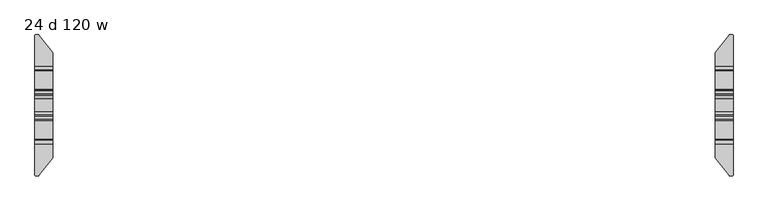
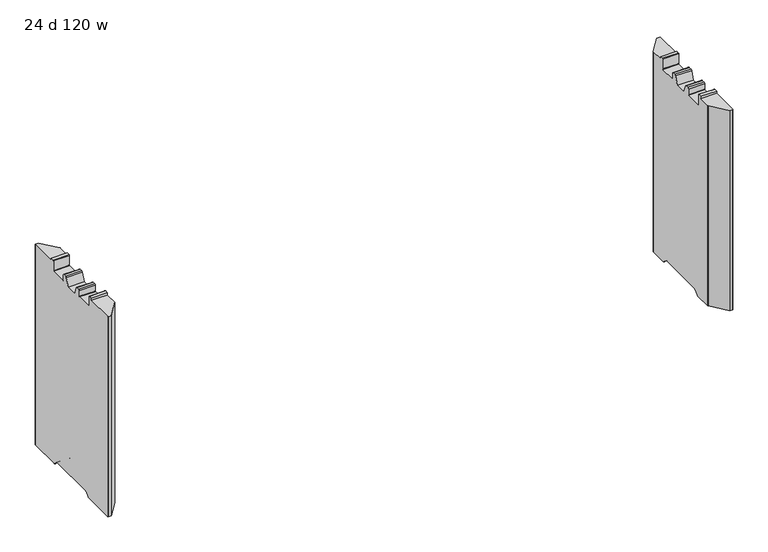
"""IFC4 building model written with IfcOpenShell, lengths in millimetres: furniture geometry, 24 d 120 w."""

from ifc_helpers import new_model, si_unit, frame, origin, place, context, project, spatial, polyline, circle_curve, source, transform, mapped, element, save
from ifc_brep_helpers import plane_surface, cylinder_surface, revolved_surface, advanced_brep


def furniture_24_d_120_w_e3f9ca47(model_context):
    return source(origin(), model_context, "Body", "AdvancedBrep", [
        advanced_brep(
        [(-1475.1161014, 301.356006, 12.2237497), (-1473.4757746, 300.5624669, 12.2237497), (-1414.2991168, 225.81303, 12.2237497), (-1413.7789661, 224.3179953, 12.2237497), (-1413.7789661, 142.5587399, 12.2237497), (-1489.9632694, 142.5587399, 12.2237497), (-1489.9632694, 299.7791145, 12.2237497), (-1488.3863779, 301.356006, 12.2237497), (-1413.7789661, -224.3179953, 12.2237497), (-1414.2991168, -225.81303, 12.2237497), (-1473.4757746, -300.5624669, 12.2237497), (-1475.1161014, -301.356006, 12.2237497), (-1488.3863779, -301.356006, 12.2237497), (-1489.9632694, -299.7791145, 12.2237497), (-1489.9632694, -142.5587399, 12.2237497), (-1413.7789661, -142.5587399, 12.2237497), (-1488.3863779, 301.356006, 1021.0901447), (-1475.1161014, 301.356006, 1021.0901447), (-1489.9632694, 299.7791145, 1021.0901447), (-1489.9632694, 137.3594731, 14.3773565), (-1489.9632694, 120.8848361, 30.8519935), (-1489.9632694, 115.650421, 33.0201593), (-1489.9632694, -115.650421, 33.0201593), (-1489.9632694, -120.8848361, 30.8519935), (-1489.9632694, -137.3594731, 14.3773565), (-1489.9632694, -299.7791145, 1021.0901447), (-1489.9632694, -165.7440074, 1021.0901447), (-1489.9632694, -165.7440074, 1032.1001558), (-1489.9632694, -149.8559965, 1032.1001558), (-1489.9632694, -147.8560005, 1030.1001598), (-1489.9632694, -147.8560005, 980.6251456), (-1489.9632694, -145.8560045, 978.6251495), (-1489.9632694, -67.8560008, 978.6251495), (-1489.9632694, -65.8560002, 980.6251501), (-1489.9632694, -65.8560002, 1008.6251352), (-1489.9632694, -60.855942, 1013.6251934), (-1489.9632694, -47.3023259, 1013.6251934), (-1489.9632694, -41.335277, 1009.4470192), (-1489.9632694, -27.2052798, 970.6251291), (-1489.9632694, 27.2052798, 970.6251291), (-1489.9632694, 41.335277, 1009.4470192), (-1489.9632694, 47.3023259, 1013.6251934), (-1489.9632694, 60.855942, 1013.6251934), (-1489.9632694, 65.8560002, 1008.6251352), (-1489.9632694, 65.8560002, 980.6251501), (-1489.9632694, 67.8560008, 978.6251495), (-1489.9632694, 145.8560045, 978.6251495), (-1489.9632694, 147.8560005, 980.6251456), (-1489.9632694, 147.8560005, 1030.1001598), (-1489.9632694, 149.8559965, 1032.1001558), (-1489.9632694, 165.7440074, 1032.1001558), (-1489.9632694, 165.7440074, 1021.0901447), (-1488.3863779, -301.356006, 1021.0901447), (-1475.1161014, -301.356006, 1021.0901447), (-1473.4757746, -300.5624669, 1021.0901447), (-1414.2991168, -225.81303, 1021.0901447), (-1413.7789661, -224.3179953, 1021.0901447), (-1413.7789661, -137.3594731, 14.3773565), (-1413.7789661, -120.8848361, 30.8519935), (-1413.7789661, -115.650421, 33.0201593), (-1413.7789661, 115.650421, 33.0201593), (-1413.7789661, 120.8848361, 30.8519935), (-1413.7789661, 137.3594731, 14.3773565), (-1413.7789661, 224.3179953, 1021.0901447), (-1413.7789661, 165.7440074, 1021.0901447), (-1413.7789661, 165.7440074, 1032.1001558), (-1413.7789661, 149.8559965, 1032.1001558), (-1413.7789661, 147.8560005, 1030.1001598), (-1413.7789661, 147.8560005, 980.6251456), (-1413.7789661, 145.8560045, 978.6251495), (-1413.7789661, 67.8560008, 978.6251495), (-1413.7789661, 65.8560002, 980.6251501), (-1413.7789661, 65.8560002, 1008.6251352), (-1413.7789661, 60.855942, 1013.6251934), (-1413.7789661, 47.3023259, 1013.6251934), (-1413.7789661, 41.335277, 1009.4470192), (-1413.7789661, 27.2052798, 970.6251291), (-1413.7789661, -27.2052798, 970.6251291), (-1413.7789661, -41.335277, 1009.4470192), (-1413.7789661, -47.3023259, 1013.6251934), (-1413.7789661, -60.855942, 1013.6251934), (-1413.7789661, -65.8560002, 1008.6251352), (-1413.7789661, -65.8560002, 980.6251501), (-1413.7789661, -67.8560008, 978.6251495), (-1413.7789661, -145.8560045, 978.6251495), (-1413.7789661, -147.8560005, 980.6251456), (-1413.7789661, -147.8560005, 1030.1001598), (-1413.7789661, -149.8559965, 1032.1001558), (-1413.7789661, -165.7440074, 1032.1001558), (-1413.7789661, -165.7440074, 1021.0901447), (-1414.2991168, 225.81303, 1021.0901447), (-1473.4757746, 300.5624669, 1021.0901447)],
        [
            (0, 1, circle_curve(frame((-1475.1161014, 299.2638745, 12.2237497), z_axis=(0.0, 0.0, -1.0), x_axis=(-1.0, 0.0, 0.0)), 2.0921315)),
            (1, 2),
            (2, 3, circle_curve(frame((-1416.187581, 224.3179953, 12.2237497), z_axis=(0.0, 0.0, -1.0), x_axis=(-1.0, 0.0, 0.0)), 2.4086149)),
            (3, 4),
            (4, 5),
            (5, 6),
            (6, 7, circle_curve(frame((-1488.3863779, 299.7791145, 12.2237497), z_axis=(0.0, 0.0, -1.0), x_axis=(-1.0, 0.0, 0.0)), 1.5768915)),
            (7, 0),
            (8, 9, circle_curve(frame((-1416.187581, -224.3179953, 12.2237497), z_axis=(0.0, 0.0, -1.0), x_axis=(-1.0, 0.0, 0.0)), 2.4086149)),
            (9, 10),
            (10, 11, circle_curve(frame((-1475.1161014, -299.2638745, 12.2237497), z_axis=(0.0, 0.0, -1.0), x_axis=(-1.0, 0.0, 0.0)), 2.0921315)),
            (11, 12),
            (12, 13, circle_curve(frame((-1488.3863779, -299.7791145, 12.2237497), z_axis=(0.0, 0.0, -1.0), x_axis=(-1.0, 0.0, 0.0)), 1.5768915)),
            (13, 14),
            (14, 15),
            (15, 8),
            (7, 16),
            (16, 17),
            (17, 0),
            (6, 18),
            (18, 16, circle_curve(frame((-1488.3863779, 299.7791145, 1021.0901447), z_axis=(0.0, 0.0, -1.0), x_axis=(-1.0, 0.0, 0.0)), 1.5768915)),
            (5, 19, circle_curve(frame((-1489.9632694, 142.5587399, 19.5766232), z_axis=(-1.0, 0.0, 0.0), x_axis=(0.0, -1.0, 0.0)), 7.3528735)),
            (19, 20),
            (20, 21, circle_curve(frame((-1489.9632694, 115.650421, 25.6175784), z_axis=(1.0, 0.0, 0.0), x_axis=(0.0, -1.0, 0.0)), 7.4025809)),
            (21, 22),
            (22, 23, circle_curve(frame((-1489.9632694, -115.650421, 25.6175784), z_axis=(1.0, 0.0, 0.0), x_axis=(0.0, -1.0, 0.0)), 7.4025809)),
            (23, 24),
            (24, 14, circle_curve(frame((-1489.9632694, -142.5587399, 19.5766232), z_axis=(-1.0, 0.0, 0.0), x_axis=(0.0, -1.0, 0.0)), 7.3528735)),
            (13, 25),
            (25, 26),
            (26, 27),
            (27, 28),
            (28, 29, circle_curve(frame((-1489.9632694, -149.8559965, 1030.1001598), z_axis=(-1.0, 0.0, 0.0), x_axis=(0.0, -1.0, 0.0)), 1.999996)),
            (29, 30),
            (30, 31, circle_curve(frame((-1489.9632694, -145.8560045, 980.6251456), z_axis=(1.0, 0.0, 0.0), x_axis=(0.0, -1.0, 0.0)), 1.999996)),
            (31, 32),
            (32, 33, circle_curve(frame((-1489.9632694, -67.8560008, 980.6251501), z_axis=(1.0, 0.0, 0.0), x_axis=(0.0, -1.0, 0.0)), 2.0000006)),
            (33, 34),
            (34, 35, circle_curve(frame((-1489.9632694, -60.855942, 1008.6251352), z_axis=(-1.0, 0.0, 0.0), x_axis=(0.0, -1.0, 0.0)), 5.0000582)),
            (35, 36),
            (36, 37, circle_curve(frame((-1489.9632694, -47.3023259, 1007.2751934), z_axis=(-1.0, 0.0, 0.0), x_axis=(0.0, -1.0, 0.0)), 6.35)),
            (37, 38),
            (38, 39),
            (39, 40),
            (40, 41, circle_curve(frame((-1489.9632694, 47.3023259, 1007.2751934), z_axis=(-1.0, 0.0, 0.0), x_axis=(0.0, -1.0, 0.0)), 6.35)),
            (41, 42),
            (42, 43, circle_curve(frame((-1489.9632694, 60.855942, 1008.6251352), z_axis=(-1.0, 0.0, 0.0), x_axis=(0.0, -1.0, 0.0)), 5.0000582)),
            (43, 44),
            (44, 45, circle_curve(frame((-1489.9632694, 67.8560008, 980.6251501), z_axis=(1.0, 0.0, 0.0), x_axis=(0.0, -1.0, 0.0)), 2.0000006)),
            (45, 46),
            (46, 47, circle_curve(frame((-1489.9632694, 145.8560045, 980.6251456), z_axis=(1.0, 0.0, 0.0), x_axis=(0.0, -1.0, 0.0)), 1.999996)),
            (47, 48),
            (48, 49, circle_curve(frame((-1489.9632694, 149.8559965, 1030.1001598), z_axis=(-1.0, 0.0, 0.0), x_axis=(0.0, -1.0, 0.0)), 1.999996)),
            (49, 50),
            (50, 51),
            (51, 18),
            (12, 52),
            (52, 25, circle_curve(frame((-1488.3863779, -299.7791145, 1021.0901447), z_axis=(0.0, 0.0, -1.0), x_axis=(-1.0, 0.0, 0.0)), 1.5768915)),
            (11, 53),
            (53, 52),
            (10, 54),
            (54, 53, circle_curve(frame((-1475.1161014, -299.2638745, 1021.0901447), z_axis=(0.0, 0.0, -1.0), x_axis=(-1.0, 0.0, 0.0)), 2.0921315)),
            (9, 55),
            (55, 54),
            (8, 56),
            (56, 55, circle_curve(frame((-1416.187581, -224.3179953, 1021.0901447), z_axis=(0.0, 0.0, -1.0), x_axis=(-1.0, 0.0, 0.0)), 2.4086149)),
            (15, 57, circle_curve(frame((-1413.7789661, -142.5587399, 19.5766232), z_axis=(1.0, 0.0, 0.0), x_axis=(0.0, -1.0, 0.0)), 7.3528735)),
            (57, 58),
            (58, 59, circle_curve(frame((-1413.7789661, -115.650421, 25.6175784), z_axis=(-1.0, 0.0, 0.0), x_axis=(0.0, -1.0, 0.0)), 7.4025809)),
            (59, 60),
            (60, 61, circle_curve(frame((-1413.7789661, 115.650421, 25.6175784), z_axis=(-1.0, 0.0, 0.0), x_axis=(0.0, -1.0, 0.0)), 7.4025809)),
            (61, 62),
            (62, 4, circle_curve(frame((-1413.7789661, 142.5587399, 19.5766232), z_axis=(1.0, 0.0, 0.0), x_axis=(0.0, -1.0, 0.0)), 7.3528735)),
            (3, 63),
            (63, 64),
            (64, 65),
            (65, 66),
            (66, 67, circle_curve(frame((-1413.7789661, 149.8559965, 1030.1001598), z_axis=(1.0, 0.0, 0.0), x_axis=(0.0, -1.0, 0.0)), 1.999996)),
            (67, 68),
            (68, 69, circle_curve(frame((-1413.7789661, 145.8560045, 980.6251456), z_axis=(-1.0, 0.0, 0.0), x_axis=(0.0, -1.0, 0.0)), 1.999996)),
            (69, 70),
            (70, 71, circle_curve(frame((-1413.7789661, 67.8560008, 980.6251501), z_axis=(-1.0, 0.0, 0.0), x_axis=(0.0, -1.0, 0.0)), 2.0000006)),
            (71, 72),
            (72, 73, circle_curve(frame((-1413.7789661, 60.855942, 1008.6251352), z_axis=(1.0, 0.0, 0.0), x_axis=(0.0, -1.0, 0.0)), 5.0000582)),
            (73, 74),
            (74, 75, circle_curve(frame((-1413.7789661, 47.3023259, 1007.2751934), z_axis=(1.0, 0.0, 0.0), x_axis=(0.0, -1.0, 0.0)), 6.35)),
            (75, 76),
            (76, 77),
            (77, 78),
            (78, 79, circle_curve(frame((-1413.7789661, -47.3023259, 1007.2751934), z_axis=(1.0, 0.0, 0.0), x_axis=(0.0, -1.0, 0.0)), 6.35)),
            (79, 80),
            (80, 81, circle_curve(frame((-1413.7789661, -60.855942, 1008.6251352), z_axis=(1.0, 0.0, 0.0), x_axis=(0.0, -1.0, 0.0)), 5.0000582)),
            (81, 82),
            (82, 83, circle_curve(frame((-1413.7789661, -67.8560008, 980.6251501), z_axis=(-1.0, 0.0, 0.0), x_axis=(0.0, -1.0, 0.0)), 2.0000006)),
            (83, 84),
            (84, 85, circle_curve(frame((-1413.7789661, -145.8560045, 980.6251456), z_axis=(-1.0, 0.0, 0.0), x_axis=(0.0, -1.0, 0.0)), 1.999996)),
            (85, 86),
            (86, 87, circle_curve(frame((-1413.7789661, -149.8559965, 1030.1001598), z_axis=(1.0, 0.0, 0.0), x_axis=(0.0, -1.0, 0.0)), 1.999996)),
            (87, 88),
            (88, 89),
            (89, 56),
            (2, 90),
            (90, 63, circle_curve(frame((-1416.187581, 224.3179953, 1021.0901447), z_axis=(0.0, 0.0, -1.0), x_axis=(-1.0, 0.0, 0.0)), 2.4086149)),
            (1, 91),
            (91, 90),
            (17, 91, circle_curve(frame((-1475.1161014, 299.2638745, 1021.0901447), z_axis=(0.0, 0.0, -1.0), x_axis=(-1.0, 0.0, 0.0)), 2.0921315)),
            (50, 65),
            (64, 51),
            (89, 26),
            (88, 27),
            (87, 28),
            (86, 29),
            (85, 30),
            (84, 31),
            (83, 32),
            (82, 33),
            (81, 34),
            (80, 35),
            (79, 36),
            (78, 37),
            (77, 38),
            (76, 39),
            (75, 40),
            (74, 41),
            (73, 42),
            (72, 43),
            (71, 44),
            (70, 45),
            (69, 46),
            (68, 47),
            (67, 48),
            (66, 49),
            (19, 62),
            (61, 20),
            (60, 21),
            (59, 22),
            (58, 23),
            (57, 24),
        ],
        [
            plane_surface(frame((-1488.3863779, 301.356006, 12.2237497), z_axis=(0.0, 0.0, -1.0), x_axis=(1.0, 0.0, 0.0))),
            plane_surface(frame((-1475.1161014, 301.356006, 1037.2344355), z_axis=(0.0, 1.0, 0.0), x_axis=(0.0, 0.0, -1.0))),
            cylinder_surface(frame((-1488.3863779, 299.7791145, 12.2237497), z_axis=(0.0, 0.0, 1.0), x_axis=(-1.0, 0.0, 0.0)), 1.5768915),
            plane_surface(frame((-1489.9632694, 299.7791145, 1037.2344355), z_axis=(-1.0, 0.0, 0.0), x_axis=(0.0, 0.0, -1.0))),
            cylinder_surface(frame((-1488.3863779, -299.7791145, 12.2237497), z_axis=(0.0, 0.0, 1.0), x_axis=(-1.0, 0.0, 0.0)), 1.5768915),
            plane_surface(frame((-1488.3863779, -301.356006, 1037.2344355), z_axis=(0.0, -1.0, 0.0), x_axis=(0.0, 0.0, -1.0))),
            cylinder_surface(frame((-1475.1161014, -299.2638745, 12.2237497), z_axis=(0.0, 0.0, 1.0), x_axis=(-1.0, 0.0, 0.0)), 2.0921315),
            plane_surface(frame((-1473.4757746, -300.5624669, 1037.2344355), z_axis=(0.7840457211746537, -0.6207030748334645, 0.0), x_axis=(0.0, 0.0, -1.0))),
            cylinder_surface(frame((-1416.187581, -224.3179953, 12.2237497), z_axis=(0.0, 0.0, 1.0), x_axis=(-1.0, 0.0, 0.0)), 2.4086149),
            plane_surface(frame((-1413.7789661, -224.3179953, 1037.2344355), z_axis=(1.0, 0.0, 0.0), x_axis=(0.0, 0.0, -1.0))),
            cylinder_surface(frame((-1416.187581, 224.3179953, 12.2237497), z_axis=(0.0, 0.0, 1.0), x_axis=(-1.0, 0.0, 0.0)), 2.4086149),
            plane_surface(frame((-1414.2991168, 225.81303, 1037.2344355), z_axis=(0.7840457211746312, 0.6207030748334927, 0.0), x_axis=(0.0, 0.0, -1.0))),
            cylinder_surface(frame((-1475.1161014, 299.2638745, 12.2237497), z_axis=(0.0, 0.0, 1.0), x_axis=(-1.0, 0.0, 0.0)), 2.0921315),
            plane_surface(frame((1489.9632694, 165.7440074, 1032.1001558), z_axis=(0.0, 1.0, 0.0), x_axis=(-1.0, 0.0, 0.0))),
            plane_surface(frame((1489.9632694, 165.7440074, 1021.0901447), z_axis=(0.0, 0.0, 1.0), x_axis=(-1.0, 0.0, 0.0))),
            plane_surface(frame((1489.9632694, -302.7440027, 1021.0901447), z_axis=(0.0, 0.0, 1.0), x_axis=(-1.0, 0.0, 0.0))),
            plane_surface(frame((1489.9632694, -165.7440074, 1021.0901447), z_axis=(0.0, -1.0, 0.0), x_axis=(-1.0, 0.0, 0.0))),
            plane_surface(frame((1489.9632694, -165.7440074, 1032.1001558), z_axis=(0.0, 0.0, 1.0), x_axis=(-1.0, 0.0, 0.0))),
            cylinder_surface(frame((1489.9632694, -149.8559965, 1030.1001598), z_axis=(-1.0, 0.0, 0.0), x_axis=(0.0, -1.0, 0.0)), 1.999996),
            plane_surface(frame((1489.9632694, -147.8560005, 1030.1001598), z_axis=(0.0, 1.0, 0.0), x_axis=(-1.0, 0.0, 0.0))),
            revolved_surface(polyline([(-1413.7789661, -147.85600050000002, 980.6251456), (-1489.9632694, -147.85600050000002, 980.6251456)]), (1489.9632694, -145.8560045, 980.6251456), (1.0, 0.0, 0.0)),
            plane_surface(frame((1489.9632694, -145.8560045, 978.6251495), z_axis=(0.0, 0.0, 1.0), x_axis=(-1.0, 0.0, 0.0))),
            revolved_surface(polyline([(-1413.7789661, -69.8560014, 980.6251501), (-1489.9632694, -69.8560014, 980.6251501)]), (1489.9632694, -67.8560008, 980.6251501), (1.0, 0.0, 0.0)),
            plane_surface(frame((1489.9632694, -65.8560002, 980.6251501), z_axis=(0.0, -1.0, 0.0), x_axis=(-1.0, 0.0, 0.0))),
            cylinder_surface(frame((1489.9632694, -60.855942, 1008.6251352), z_axis=(-1.0, 0.0, 0.0), x_axis=(0.0, -1.0, 0.0)), 5.0000582),
            plane_surface(frame((1489.9632694, -60.855942, 1013.6251934), z_axis=(0.0, 0.0, 1.0), x_axis=(-1.0, 0.0, 0.0))),
            cylinder_surface(frame((1489.9632694, -47.3023259, 1007.2751934), z_axis=(-1.0, 0.0, 0.0), x_axis=(0.0, -1.0, 0.0)), 6.35),
            plane_surface(frame((1489.9632694, -41.335277, 1009.4470192), z_axis=(0.0, 0.9396927394269927, 0.3420198173617928), x_axis=(-1.0, 0.0, 0.0))),
            plane_surface(frame((1489.9632694, -27.2052798, 970.6251291), z_axis=(0.0, 0.0, 1.0), x_axis=(-1.0, 0.0, 0.0))),
            plane_surface(frame((1489.9632694, 27.2052798, 970.6251291), z_axis=(0.0, -0.9396927394269927, 0.3420198173617928), x_axis=(-1.0, 0.0, 0.0))),
            cylinder_surface(frame((1489.9632694, 47.3023259, 1007.2751934), z_axis=(-1.0, 0.0, 0.0), x_axis=(0.0, -1.0, 0.0)), 6.35),
            plane_surface(frame((1489.9632694, 47.3023259, 1013.6251934), z_axis=(0.0, 0.0, 1.0), x_axis=(-1.0, 0.0, 0.0))),
            cylinder_surface(frame((1489.9632694, 60.855942, 1008.6251352), z_axis=(-1.0, 0.0, 0.0), x_axis=(0.0, -1.0, 0.0)), 5.0000582),
            plane_surface(frame((1489.9632694, 65.8560002, 1008.6251352), z_axis=(0.0, 1.0, 0.0), x_axis=(-1.0, 0.0, 0.0))),
            revolved_surface(polyline([(-1413.7789661, 65.85600020000001, 980.6251501), (-1489.9632694, 65.85600020000001, 980.6251501)]), (1489.9632694, 67.8560008, 980.6251501), (1.0, 0.0, 0.0)),
            plane_surface(frame((1489.9632694, 67.8560008, 978.6251495), z_axis=(0.0, 0.0, 1.0), x_axis=(-1.0, 0.0, 0.0))),
            revolved_surface(polyline([(-1413.7789661, 143.8560085, 980.6251456), (-1489.9632694, 143.8560085, 980.6251456)]), (1489.9632694, 145.8560045, 980.6251456), (1.0, 0.0, 0.0)),
            plane_surface(frame((1489.9632694, 147.8560005, 980.6251456), z_axis=(0.0, -1.0, 0.0), x_axis=(-1.0, 0.0, 0.0))),
            cylinder_surface(frame((1489.9632694, 149.8559965, 1030.1001598), z_axis=(-1.0, 0.0, 0.0), x_axis=(0.0, -1.0, 0.0)), 1.999996),
            plane_surface(frame((1489.9632694, 149.8559965, 1032.1001558), z_axis=(0.0, 0.0, 1.0), x_axis=(-1.0, 0.0, 0.0))),
            plane_surface(frame((1489.9632694, 137.3594731, 14.3773565), z_axis=(0.0, -0.7071067811865476, -0.7071067811865476), x_axis=(-1.0, 0.0, 0.0))),
            revolved_surface(polyline([(-1413.7789661, 108.24784009999999, 25.6175784), (-1489.9632694, 108.24784009999999, 25.6175784)]), (1489.9632694, 115.650421, 25.6175784), (1.0, 0.0, 0.0)),
            plane_surface(frame((1489.9632694, 115.650421, 33.0201593), z_axis=(0.0, 0.0, -1.0), x_axis=(-1.0, 0.0, 0.0))),
            revolved_surface(polyline([(-1413.7789661, -123.0530019, 25.6175784), (-1489.9632694, -123.0530019, 25.6175784)]), (1489.9632694, -115.650421, 25.6175784), (1.0, 0.0, 0.0)),
            plane_surface(frame((1489.9632694, -120.8848361, 30.8519935), z_axis=(0.0, 0.7071067811865467, -0.7071067811865483), x_axis=(-1.0, 0.0, 0.0))),
            cylinder_surface(frame((1489.9632694, -142.5587399, 19.5766232), z_axis=(-1.0, 0.0, 0.0), x_axis=(0.0, -1.0, 0.0)), 7.3528735),
            cylinder_surface(frame((1489.9632694, 142.5587399, 19.5766232), z_axis=(-1.0, 0.0, 0.0), x_axis=(0.0, -1.0, 0.0)), 7.3528735),
        ],
        [
            (0, [[1, 2, 3, 4, 5, 6, 7, 8]]),
            (0, [[9, 10, 11, 12, 13, 14, 15, 16]]),
            (1, [[-8, 17, 18, 19]]),
            (2, [[-7, 20, 21, -17]]),
            (3, [[-20, -6, 22, 23, 24, 25, 26, 27, 28, -14, 29, 30, 31, 32, 33, 34, 35, 36, 37, 38, 39, 40, 41, 42, 43, 44, 45, 46, 47, 48, 49, 50, 51, 52, 53, 54, 55, 56]]),
            (4, [[-13, 57, 58, -29]]),
            (5, [[-12, 59, 60, -57]]),
            (6, [[-11, 61, 62, -59]]),
            (7, [[-10, 63, 64, -61]]),
            (8, [[-9, 65, 66, -63]]),
            (9, [[-65, -16, 67, 68, 69, 70, 71, 72, 73, -4, 74, 75, 76, 77, 78, 79, 80, 81, 82, 83, 84, 85, 86, 87, 88, 89, 90, 91, 92, 93, 94, 95, 96, 97, 98, 99, 100, 101]]),
            (10, [[-3, 102, 103, -74]]),
            (11, [[-2, 104, 105, -102]]),
            (12, [[-1, -19, 106, -104]]),
            (13, [[107, -76, 108, -55]]),
            (14, [[-108, -75, -103, -105, -106, -18, -21, -56]]),
            (15, [[109, -30, -58, -60, -62, -64, -66, -101]]),
            (16, [[-109, -100, 110, -31]]),
            (17, [[-110, -99, 111, -32]]),
            (18, [[-111, -98, 112, -33]]),
            (19, [[-112, -97, 113, -34]]),
            (20, [[-113, -96, 114, -35]]),
            (21, [[-114, -95, 115, -36]]),
            (22, [[-115, -94, 116, -37]]),
            (23, [[-116, -93, 117, -38]]),
            (24, [[-117, -92, 118, -39]]),
            (25, [[-118, -91, 119, -40]]),
            (26, [[-119, -90, 120, -41]]),
            (27, [[-120, -89, 121, -42]]),
            (28, [[-121, -88, 122, -43]]),
            (29, [[-122, -87, 123, -44]]),
            (30, [[-123, -86, 124, -45]]),
            (31, [[-124, -85, 125, -46]]),
            (32, [[-125, -84, 126, -47]]),
            (33, [[-126, -83, 127, -48]]),
            (34, [[-127, -82, 128, -49]]),
            (35, [[-128, -81, 129, -50]]),
            (36, [[-129, -80, 130, -51]]),
            (37, [[-130, -79, 131, -52]]),
            (38, [[-131, -78, 132, -53]]),
            (39, [[-107, -54, -132, -77]]),
            (40, [[133, -72, 134, -23]]),
            (41, [[-134, -71, 135, -24]]),
            (42, [[-135, -70, 136, -25]]),
            (43, [[-136, -69, 137, -26]]),
            (44, [[-137, -68, 138, -27]]),
            (45, [[-138, -67, -15, -28]]),
            (46, [[-133, -22, -5, -73]]),
        ],
    ),
        advanced_brep(
        [(1475.1161014, 301.356006, 12.2237497), (1488.3863779, 301.356006, 12.2237497), (1489.9632694, 299.7791145, 12.2237497), (1489.9632694, 142.5587399, 12.2237497), (1413.7789661, 142.5587399, 12.2237497), (1413.7789661, 224.3179953, 12.2237497), (1414.2991168, 225.81303, 12.2237497), (1473.4757746, 300.5624669, 12.2237497), (1489.9632694, -299.7791145, 12.2237497), (1488.3863779, -301.356006, 12.2237497), (1475.1161014, -301.356006, 12.2237497), (1473.4757746, -300.5624669, 12.2237497), (1414.2991168, -225.81303, 12.2237497), (1413.7789661, -224.3179953, 12.2237497), (1413.7789661, -142.5587399, 12.2237497), (1489.9632694, -142.5587399, 12.2237497), (1473.4757746, 300.5624669, 1021.0901447), (1475.1161014, 301.356006, 1021.0901447), (1414.2991168, 225.81303, 1021.0901447), (1413.7789661, 224.3179953, 1021.0901447), (1413.7789661, 137.3594731, 14.3773565), (1413.7789661, 120.8848361, 30.8519935), (1413.7789661, 115.650421, 33.0201593), (1413.7789661, -115.650421, 33.0201593), (1413.7789661, -120.8848361, 30.8519935), (1413.7789661, -137.3594731, 14.3773565), (1413.7789661, -224.3179953, 1021.0901447), (1413.7789661, -165.7440074, 1021.0901447), (1413.7789661, -165.7440074, 1032.1001558), (1413.7789661, -149.8559965, 1032.1001558), (1413.7789661, -147.8560005, 1030.1001598), (1413.7789661, -147.8560005, 980.6251456), (1413.7789661, -145.8560045, 978.6251495), (1413.7789661, -67.8560008, 978.6251495), (1413.7789661, -65.8560002, 980.6251501), (1413.7789661, -65.8560002, 1008.6251352), (1413.7789661, -60.855942, 1013.6251934), (1413.7789661, -47.3023259, 1013.6251934), (1413.7789661, -41.335277, 1009.4470192), (1413.7789661, -27.2052798, 970.6251291), (1413.7789661, 27.2052798, 970.6251291), (1413.7789661, 41.335277, 1009.4470192), (1413.7789661, 47.3023259, 1013.6251934), (1413.7789661, 60.855942, 1013.6251934), (1413.7789661, 65.8560002, 1008.6251352), (1413.7789661, 65.8560002, 980.6251501), (1413.7789661, 67.8560008, 978.6251495), (1413.7789661, 145.8560045, 978.6251495), (1413.7789661, 147.8560005, 980.6251456), (1413.7789661, 147.8560005, 1030.1001598), (1413.7789661, 149.8559965, 1032.1001558), (1413.7789661, 165.7440074, 1032.1001558), (1413.7789661, 165.7440074, 1021.0901447), (1414.2991168, -225.81303, 1021.0901447), (1473.4757746, -300.5624669, 1021.0901447), (1475.1161014, -301.356006, 1021.0901447), (1488.3863779, -301.356006, 1021.0901447), (1489.9632694, -299.7791145, 1021.0901447), (1489.9632694, -137.3594731, 14.3773565), (1489.9632694, -120.8848361, 30.8519935), (1489.9632694, -115.650421, 33.0201593), (1489.9632694, 115.650421, 33.0201593), (1489.9632694, 120.8848361, 30.8519935), (1489.9632694, 137.3594731, 14.3773565), (1489.9632694, 299.7791145, 1021.0901447), (1489.9632694, 165.7440074, 1021.0901447), (1489.9632694, 165.7440074, 1032.1001558), (1489.9632694, 149.8559965, 1032.1001558), (1489.9632694, 147.8560005, 1030.1001598), (1489.9632694, 147.8560005, 980.6251456), (1489.9632694, 145.8560045, 978.6251495), (1489.9632694, 67.8560008, 978.6251495), (1489.9632694, 65.8560002, 980.6251501), (1489.9632694, 65.8560002, 1008.6251352), (1489.9632694, 60.855942, 1013.6251934), (1489.9632694, 47.3023259, 1013.6251934), (1489.9632694, 41.335277, 1009.4470192), (1489.9632694, 27.2052798, 970.6251291), (1489.9632694, -27.2052798, 970.6251291), (1489.9632694, -41.335277, 1009.4470192), (1489.9632694, -47.3023259, 1013.6251934), (1489.9632694, -60.855942, 1013.6251934), (1489.9632694, -65.8560002, 1008.6251352), (1489.9632694, -65.8560002, 980.6251501), (1489.9632694, -67.8560008, 978.6251495), (1489.9632694, -145.8560045, 978.6251495), (1489.9632694, -147.8560005, 980.6251456), (1489.9632694, -147.8560005, 1030.1001598), (1489.9632694, -149.8559965, 1032.1001558), (1489.9632694, -165.7440074, 1032.1001558), (1489.9632694, -165.7440074, 1021.0901447), (1488.3863779, 301.356006, 1021.0901447)],
        [
            (0, 1),
            (1, 2, circle_curve(frame((1488.3863779, 299.7791145, 12.2237497), z_axis=(0.0, 0.0, -1.0), x_axis=(-1.0, 0.0, 0.0)), 1.5768915)),
            (2, 3),
            (3, 4),
            (4, 5),
            (5, 6, circle_curve(frame((1416.187581, 224.3179953, 12.2237497), z_axis=(0.0, 0.0, -1.0), x_axis=(-1.0, 0.0, 0.0)), 2.4086149)),
            (6, 7),
            (7, 0, circle_curve(frame((1475.1161014, 299.2638745, 12.2237497), z_axis=(0.0, 0.0, -1.0), x_axis=(-1.0, 0.0, 0.0)), 2.0921315)),
            (8, 9, circle_curve(frame((1488.3863779, -299.7791145, 12.2237497), z_axis=(0.0, 0.0, -1.0), x_axis=(-1.0, 0.0, 0.0)), 1.5768915)),
            (9, 10),
            (10, 11, circle_curve(frame((1475.1161014, -299.2638745, 12.2237497), z_axis=(0.0, 0.0, -1.0), x_axis=(-1.0, 0.0, 0.0)), 2.0921315)),
            (11, 12),
            (12, 13, circle_curve(frame((1416.187581, -224.3179953, 12.2237497), z_axis=(0.0, 0.0, -1.0), x_axis=(-1.0, 0.0, 0.0)), 2.4086149)),
            (13, 14),
            (14, 15),
            (15, 8),
            (7, 16),
            (16, 17, circle_curve(frame((1475.1161014, 299.2638745, 1021.0901447), z_axis=(0.0, 0.0, -1.0), x_axis=(-1.0, 0.0, 0.0)), 2.0921315)),
            (17, 0),
            (6, 18),
            (18, 16),
            (5, 19),
            (19, 18, circle_curve(frame((1416.187581, 224.3179953, 1021.0901447), z_axis=(0.0, 0.0, -1.0), x_axis=(-1.0, 0.0, 0.0)), 2.4086149)),
            (4, 20, circle_curve(frame((1413.7789661, 142.5587399, 19.5766232), z_axis=(-1.0, 0.0, 0.0), x_axis=(0.0, -1.0, 0.0)), 7.3528735)),
            (20, 21),
            (21, 22, circle_curve(frame((1413.7789661, 115.650421, 25.6175784), z_axis=(1.0, 0.0, 0.0), x_axis=(0.0, -1.0, 0.0)), 7.4025809)),
            (22, 23),
            (23, 24, circle_curve(frame((1413.7789661, -115.650421, 25.6175784), z_axis=(1.0, 0.0, 0.0), x_axis=(0.0, -1.0, 0.0)), 7.4025809)),
            (24, 25),
            (25, 14, circle_curve(frame((1413.7789661, -142.5587399, 19.5766232), z_axis=(-1.0, 0.0, 0.0), x_axis=(0.0, -1.0, 0.0)), 7.3528735)),
            (13, 26),
            (26, 27),
            (27, 28),
            (28, 29),
            (29, 30, circle_curve(frame((1413.7789661, -149.8559965, 1030.1001598), z_axis=(-1.0, 0.0, 0.0), x_axis=(0.0, -1.0, 0.0)), 1.999996)),
            (30, 31),
            (31, 32, circle_curve(frame((1413.7789661, -145.8560045, 980.6251456), z_axis=(1.0, 0.0, 0.0), x_axis=(0.0, -1.0, 0.0)), 1.999996)),
            (32, 33),
            (33, 34, circle_curve(frame((1413.7789661, -67.8560008, 980.6251501), z_axis=(1.0, 0.0, 0.0), x_axis=(0.0, -1.0, 0.0)), 2.0000006)),
            (34, 35),
            (35, 36, circle_curve(frame((1413.7789661, -60.855942, 1008.6251352), z_axis=(-1.0, 0.0, 0.0), x_axis=(0.0, -1.0, 0.0)), 5.0000582)),
            (36, 37),
            (37, 38, circle_curve(frame((1413.7789661, -47.3023259, 1007.2751934), z_axis=(-1.0, 0.0, 0.0), x_axis=(0.0, -1.0, 0.0)), 6.35)),
            (38, 39),
            (39, 40),
            (40, 41),
            (41, 42, circle_curve(frame((1413.7789661, 47.3023259, 1007.2751934), z_axis=(-1.0, 0.0, 0.0), x_axis=(0.0, -1.0, 0.0)), 6.35)),
            (42, 43),
            (43, 44, circle_curve(frame((1413.7789661, 60.855942, 1008.6251352), z_axis=(-1.0, 0.0, 0.0), x_axis=(0.0, -1.0, 0.0)), 5.0000582)),
            (44, 45),
            (45, 46, circle_curve(frame((1413.7789661, 67.8560008, 980.6251501), z_axis=(1.0, 0.0, 0.0), x_axis=(0.0, -1.0, 0.0)), 2.0000006)),
            (46, 47),
            (47, 48, circle_curve(frame((1413.7789661, 145.8560045, 980.6251456), z_axis=(1.0, 0.0, 0.0), x_axis=(0.0, -1.0, 0.0)), 1.999996)),
            (48, 49),
            (49, 50, circle_curve(frame((1413.7789661, 149.8559965, 1030.1001598), z_axis=(-1.0, 0.0, 0.0), x_axis=(0.0, -1.0, 0.0)), 1.999996)),
            (50, 51),
            (51, 52),
            (52, 19),
            (12, 53),
            (53, 26, circle_curve(frame((1416.187581, -224.3179953, 1021.0901447), z_axis=(0.0, 0.0, -1.0), x_axis=(-1.0, 0.0, 0.0)), 2.4086149)),
            (11, 54),
            (54, 53),
            (10, 55),
            (55, 54, circle_curve(frame((1475.1161014, -299.2638745, 1021.0901447), z_axis=(0.0, 0.0, -1.0), x_axis=(-1.0, 0.0, 0.0)), 2.0921315)),
            (9, 56),
            (56, 55),
            (8, 57),
            (57, 56, circle_curve(frame((1488.3863779, -299.7791145, 1021.0901447), z_axis=(0.0, 0.0, -1.0), x_axis=(-1.0, 0.0, 0.0)), 1.5768915)),
            (15, 58, circle_curve(frame((1489.9632694, -142.5587399, 19.5766232), z_axis=(1.0, 0.0, 0.0), x_axis=(0.0, -1.0, 0.0)), 7.3528735)),
            (58, 59),
            (59, 60, circle_curve(frame((1489.9632694, -115.650421, 25.6175784), z_axis=(-1.0, 0.0, 0.0), x_axis=(0.0, -1.0, 0.0)), 7.4025809)),
            (60, 61),
            (61, 62, circle_curve(frame((1489.9632694, 115.650421, 25.6175784), z_axis=(-1.0, 0.0, 0.0), x_axis=(0.0, -1.0, 0.0)), 7.4025809)),
            (62, 63),
            (63, 3, circle_curve(frame((1489.9632694, 142.5587399, 19.5766232), z_axis=(1.0, 0.0, 0.0), x_axis=(0.0, -1.0, 0.0)), 7.3528735)),
            (2, 64),
            (64, 65),
            (65, 66),
            (66, 67),
            (67, 68, circle_curve(frame((1489.9632694, 149.8559965, 1030.1001598), z_axis=(1.0, 0.0, 0.0), x_axis=(0.0, -1.0, 0.0)), 1.999996)),
            (68, 69),
            (69, 70, circle_curve(frame((1489.9632694, 145.8560045, 980.6251456), z_axis=(-1.0, 0.0, 0.0), x_axis=(0.0, -1.0, 0.0)), 1.999996)),
            (70, 71),
            (71, 72, circle_curve(frame((1489.9632694, 67.8560008, 980.6251501), z_axis=(-1.0, 0.0, 0.0), x_axis=(0.0, -1.0, 0.0)), 2.0000006)),
            (72, 73),
            (73, 74, circle_curve(frame((1489.9632694, 60.855942, 1008.6251352), z_axis=(1.0, 0.0, 0.0), x_axis=(0.0, -1.0, 0.0)), 5.0000582)),
            (74, 75),
            (75, 76, circle_curve(frame((1489.9632694, 47.3023259, 1007.2751934), z_axis=(1.0, 0.0, 0.0), x_axis=(0.0, -1.0, 0.0)), 6.35)),
            (76, 77),
            (77, 78),
            (78, 79),
            (79, 80, circle_curve(frame((1489.9632694, -47.3023259, 1007.2751934), z_axis=(1.0, 0.0, 0.0), x_axis=(0.0, -1.0, 0.0)), 6.35)),
            (80, 81),
            (81, 82, circle_curve(frame((1489.9632694, -60.855942, 1008.6251352), z_axis=(1.0, 0.0, 0.0), x_axis=(0.0, -1.0, 0.0)), 5.0000582)),
            (82, 83),
            (83, 84, circle_curve(frame((1489.9632694, -67.8560008, 980.6251501), z_axis=(-1.0, 0.0, 0.0), x_axis=(0.0, -1.0, 0.0)), 2.0000006)),
            (84, 85),
            (85, 86, circle_curve(frame((1489.9632694, -145.8560045, 980.6251456), z_axis=(-1.0, 0.0, 0.0), x_axis=(0.0, -1.0, 0.0)), 1.999996)),
            (86, 87),
            (87, 88, circle_curve(frame((1489.9632694, -149.8559965, 1030.1001598), z_axis=(1.0, 0.0, 0.0), x_axis=(0.0, -1.0, 0.0)), 1.999996)),
            (88, 89),
            (89, 90),
            (90, 57),
            (1, 91),
            (91, 64, circle_curve(frame((1488.3863779, 299.7791145, 1021.0901447), z_axis=(0.0, 0.0, -1.0), x_axis=(-1.0, 0.0, 0.0)), 1.5768915)),
            (17, 91),
            (51, 66),
            (65, 52),
            (90, 27),
            (89, 28),
            (88, 29),
            (87, 30),
            (86, 31),
            (85, 32),
            (84, 33),
            (83, 34),
            (82, 35),
            (81, 36),
            (80, 37),
            (79, 38),
            (78, 39),
            (77, 40),
            (76, 41),
            (75, 42),
            (74, 43),
            (73, 44),
            (72, 45),
            (71, 46),
            (70, 47),
            (69, 48),
            (68, 49),
            (67, 50),
            (20, 63),
            (62, 21),
            (61, 22),
            (60, 23),
            (59, 24),
            (58, 25),
        ],
        [
            plane_surface(frame((-1488.3863779, 301.356006, 12.2237497), z_axis=(0.0, 0.0, -1.0), x_axis=(1.0, 0.0, 0.0))),
            cylinder_surface(frame((1475.1161014, 299.2638745, 12.2237497), z_axis=(0.0, 0.0, 1.0), x_axis=(-1.0, 0.0, 0.0)), 2.0921315),
            plane_surface(frame((1473.4757746, 300.5624669, 1037.2344355), z_axis=(-0.7840457211746567, 0.6207030748334608, 0.0), x_axis=(0.0, 0.0, -1.0))),
            cylinder_surface(frame((1416.187581, 224.3179953, 12.2237497), z_axis=(0.0, 0.0, 1.0), x_axis=(-1.0, 0.0, 0.0)), 2.4086149),
            plane_surface(frame((1413.7789661, 224.3179953, 1037.2344355), z_axis=(-1.0, 0.0, 0.0), x_axis=(0.0, 0.0, -1.0))),
            cylinder_surface(frame((1416.187581, -224.3179953, 12.2237497), z_axis=(0.0, 0.0, 1.0), x_axis=(-1.0, 0.0, 0.0)), 2.4086149),
            plane_surface(frame((1414.2991168, -225.81303, 1037.2344355), z_axis=(-0.7840457211745896, -0.6207030748335453, 0.0), x_axis=(0.0, 0.0, -1.0))),
            cylinder_surface(frame((1475.1161014, -299.2638745, 12.2237497), z_axis=(0.0, 0.0, 1.0), x_axis=(-1.0, 0.0, 0.0)), 2.0921315),
            plane_surface(frame((1475.1161014, -301.356006, 1037.2344355), z_axis=(0.0, -1.0, 0.0), x_axis=(0.0, 0.0, -1.0))),
            cylinder_surface(frame((1488.3863779, -299.7791145, 12.2237497), z_axis=(0.0, 0.0, 1.0), x_axis=(-1.0, 0.0, 0.0)), 1.5768915),
            plane_surface(frame((1489.9632694, -299.7791145, 1037.2344355), z_axis=(1.0, 0.0, 0.0), x_axis=(0.0, 0.0, -1.0))),
            cylinder_surface(frame((1488.3863779, 299.7791145, 12.2237497), z_axis=(0.0, 0.0, 1.0), x_axis=(-1.0, 0.0, 0.0)), 1.5768915),
            plane_surface(frame((1488.3863779, 301.356006, 1037.2344355), z_axis=(0.0, 1.0, 0.0), x_axis=(0.0, 0.0, -1.0))),
            plane_surface(frame((1489.9632694, 165.7440074, 1032.1001558), z_axis=(0.0, 1.0, 0.0), x_axis=(-1.0, 0.0, 0.0))),
            plane_surface(frame((1489.9632694, 165.7440074, 1021.0901447), z_axis=(0.0, 0.0, 1.0), x_axis=(-1.0, 0.0, 0.0))),
            plane_surface(frame((1489.9632694, -302.7440027, 1021.0901447), z_axis=(0.0, 0.0, 1.0), x_axis=(-1.0, 0.0, 0.0))),
            plane_surface(frame((1489.9632694, -165.7440074, 1021.0901447), z_axis=(0.0, -1.0, 0.0), x_axis=(-1.0, 0.0, 0.0))),
            plane_surface(frame((1489.9632694, -165.7440074, 1032.1001558), z_axis=(0.0, 0.0, 1.0), x_axis=(-1.0, 0.0, 0.0))),
            cylinder_surface(frame((1489.9632694, -149.8559965, 1030.1001598), z_axis=(-1.0, 0.0, 0.0), x_axis=(0.0, -1.0, 0.0)), 1.999996),
            plane_surface(frame((1489.9632694, -147.8560005, 1030.1001598), z_axis=(0.0, 1.0, 0.0), x_axis=(-1.0, 0.0, 0.0))),
            revolved_surface(polyline([(1489.9632694, -147.85600050000002, 980.6251456), (1413.7789661, -147.85600050000002, 980.6251456)]), (1489.9632694, -145.8560045, 980.6251456), (1.0, 0.0, 0.0)),
            plane_surface(frame((1489.9632694, -145.8560045, 978.6251495), z_axis=(0.0, 0.0, 1.0), x_axis=(-1.0, 0.0, 0.0))),
            revolved_surface(polyline([(1489.9632694, -69.8560014, 980.6251501), (1413.7789661, -69.8560014, 980.6251501)]), (1489.9632694, -67.8560008, 980.6251501), (1.0, 0.0, 0.0)),
            plane_surface(frame((1489.9632694, -65.8560002, 980.6251501), z_axis=(0.0, -1.0, 0.0), x_axis=(-1.0, 0.0, 0.0))),
            cylinder_surface(frame((1489.9632694, -60.855942, 1008.6251352), z_axis=(-1.0, 0.0, 0.0), x_axis=(0.0, -1.0, 0.0)), 5.0000582),
            plane_surface(frame((1489.9632694, -60.855942, 1013.6251934), z_axis=(0.0, 0.0, 1.0), x_axis=(-1.0, 0.0, 0.0))),
            cylinder_surface(frame((1489.9632694, -47.3023259, 1007.2751934), z_axis=(-1.0, 0.0, 0.0), x_axis=(0.0, -1.0, 0.0)), 6.35),
            plane_surface(frame((1489.9632694, -41.335277, 1009.4470192), z_axis=(0.0, 0.9396927394269927, 0.3420198173617928), x_axis=(-1.0, 0.0, 0.0))),
            plane_surface(frame((1489.9632694, -27.2052798, 970.6251291), z_axis=(0.0, 0.0, 1.0), x_axis=(-1.0, 0.0, 0.0))),
            plane_surface(frame((1489.9632694, 27.2052798, 970.6251291), z_axis=(0.0, -0.9396927394269927, 0.3420198173617928), x_axis=(-1.0, 0.0, 0.0))),
            cylinder_surface(frame((1489.9632694, 47.3023259, 1007.2751934), z_axis=(-1.0, 0.0, 0.0), x_axis=(0.0, -1.0, 0.0)), 6.35),
            plane_surface(frame((1489.9632694, 47.3023259, 1013.6251934), z_axis=(0.0, 0.0, 1.0), x_axis=(-1.0, 0.0, 0.0))),
            cylinder_surface(frame((1489.9632694, 60.855942, 1008.6251352), z_axis=(-1.0, 0.0, 0.0), x_axis=(0.0, -1.0, 0.0)), 5.0000582),
            plane_surface(frame((1489.9632694, 65.8560002, 1008.6251352), z_axis=(0.0, 1.0, 0.0), x_axis=(-1.0, 0.0, 0.0))),
            revolved_surface(polyline([(1489.9632694, 65.85600020000001, 980.6251501), (1413.7789661, 65.85600020000001, 980.6251501)]), (1489.9632694, 67.8560008, 980.6251501), (1.0, 0.0, 0.0)),
            plane_surface(frame((1489.9632694, 67.8560008, 978.6251495), z_axis=(0.0, 0.0, 1.0), x_axis=(-1.0, 0.0, 0.0))),
            revolved_surface(polyline([(1489.9632694, 143.8560085, 980.6251456), (1413.7789661, 143.8560085, 980.6251456)]), (1489.9632694, 145.8560045, 980.6251456), (1.0, 0.0, 0.0)),
            plane_surface(frame((1489.9632694, 147.8560005, 980.6251456), z_axis=(0.0, -1.0, 0.0), x_axis=(-1.0, 0.0, 0.0))),
            cylinder_surface(frame((1489.9632694, 149.8559965, 1030.1001598), z_axis=(-1.0, 0.0, 0.0), x_axis=(0.0, -1.0, 0.0)), 1.999996),
            plane_surface(frame((1489.9632694, 149.8559965, 1032.1001558), z_axis=(0.0, 0.0, 1.0), x_axis=(-1.0, 0.0, 0.0))),
            plane_surface(frame((1489.9632694, 137.3594731, 14.3773565), z_axis=(0.0, -0.7071067811865476, -0.7071067811865476), x_axis=(-1.0, 0.0, 0.0))),
            revolved_surface(polyline([(1489.9632694, 108.24784009999999, 25.6175784), (1413.7789661, 108.24784009999999, 25.6175784)]), (1489.9632694, 115.650421, 25.6175784), (1.0, 0.0, 0.0)),
            plane_surface(frame((1489.9632694, 115.650421, 33.0201593), z_axis=(0.0, 0.0, -1.0), x_axis=(-1.0, 0.0, 0.0))),
            revolved_surface(polyline([(1489.9632694, -123.0530019, 25.6175784), (1413.7789661, -123.0530019, 25.6175784)]), (1489.9632694, -115.650421, 25.6175784), (1.0, 0.0, 0.0)),
            plane_surface(frame((1489.9632694, -120.8848361, 30.8519935), z_axis=(0.0, 0.7071067811865467, -0.7071067811865483), x_axis=(-1.0, 0.0, 0.0))),
            cylinder_surface(frame((1489.9632694, -142.5587399, 19.5766232), z_axis=(-1.0, 0.0, 0.0), x_axis=(0.0, -1.0, 0.0)), 7.3528735),
            cylinder_surface(frame((1489.9632694, 142.5587399, 19.5766232), z_axis=(-1.0, 0.0, 0.0), x_axis=(0.0, -1.0, 0.0)), 7.3528735),
        ],
        [
            (0, [[1, 2, 3, 4, 5, 6, 7, 8]]),
            (0, [[9, 10, 11, 12, 13, 14, 15, 16]]),
            (1, [[-8, 17, 18, 19]]),
            (2, [[-7, 20, 21, -17]]),
            (3, [[-6, 22, 23, -20]]),
            (4, [[-22, -5, 24, 25, 26, 27, 28, 29, 30, -14, 31, 32, 33, 34, 35, 36, 37, 38, 39, 40, 41, 42, 43, 44, 45, 46, 47, 48, 49, 50, 51, 52, 53, 54, 55, 56, 57, 58]]),
            (5, [[-13, 59, 60, -31]]),
            (6, [[-12, 61, 62, -59]]),
            (7, [[-11, 63, 64, -61]]),
            (8, [[-10, 65, 66, -63]]),
            (9, [[-9, 67, 68, -65]]),
            (10, [[-67, -16, 69, 70, 71, 72, 73, 74, 75, -3, 76, 77, 78, 79, 80, 81, 82, 83, 84, 85, 86, 87, 88, 89, 90, 91, 92, 93, 94, 95, 96, 97, 98, 99, 100, 101, 102, 103]]),
            (11, [[-2, 104, 105, -76]]),
            (12, [[-1, -19, 106, -104]]),
            (13, [[107, -78, 108, -57]]),
            (14, [[-108, -77, -105, -106, -18, -21, -23, -58]]),
            (15, [[109, -32, -60, -62, -64, -66, -68, -103]]),
            (16, [[-109, -102, 110, -33]]),
            (17, [[-110, -101, 111, -34]]),
            (18, [[-111, -100, 112, -35]]),
            (19, [[-112, -99, 113, -36]]),
            (20, [[-113, -98, 114, -37]]),
            (21, [[-114, -97, 115, -38]]),
            (22, [[-115, -96, 116, -39]]),
            (23, [[-116, -95, 117, -40]]),
            (24, [[-117, -94, 118, -41]]),
            (25, [[-118, -93, 119, -42]]),
            (26, [[-119, -92, 120, -43]]),
            (27, [[-120, -91, 121, -44]]),
            (28, [[-121, -90, 122, -45]]),
            (29, [[-122, -89, 123, -46]]),
            (30, [[-123, -88, 124, -47]]),
            (31, [[-124, -87, 125, -48]]),
            (32, [[-125, -86, 126, -49]]),
            (33, [[-126, -85, 127, -50]]),
            (34, [[-127, -84, 128, -51]]),
            (35, [[-128, -83, 129, -52]]),
            (36, [[-129, -82, 130, -53]]),
            (37, [[-130, -81, 131, -54]]),
            (38, [[-131, -80, 132, -55]]),
            (39, [[-107, -56, -132, -79]]),
            (40, [[133, -74, 134, -25]]),
            (41, [[-134, -73, 135, -26]]),
            (42, [[-135, -72, 136, -27]]),
            (43, [[-136, -71, 137, -28]]),
            (44, [[-137, -70, 138, -29]]),
            (45, [[-138, -69, -15, -30]]),
            (46, [[-133, -24, -4, -75]]),
        ],
    ),
    ])


if __name__ == "__main__":
    model = new_model("IFC4")
    model_context = context("Model", 3, world=origin())
    ifc_project = project(units=[si_unit("LENGTHUNIT", "METRE", prefix="MILLI")], contexts=[model_context])
    site = spatial("IfcSite", under=ifc_project)
    building = spatial("IfcBuilding", under=site)
    placement = place(None, origin())
    furniture_24_d_120_w_shape = furniture_24_d_120_w_e3f9ca47(model_context)
    element("IfcFurniture", 1, ObjectType="24 d 120 w", at=placement, inside=building, context=model_context, shape_type="MappedRepresentation", body=[
        mapped(furniture_24_d_120_w_shape, transform((0.0, 0.0, 0.0), x_axis=(1.0, 0.0, 0.0), y_axis=(0.0, 1.0, 0.0), z_axis=(0.0, 0.0, 1.0))),
    ])
    save(model, "model.ifc")
